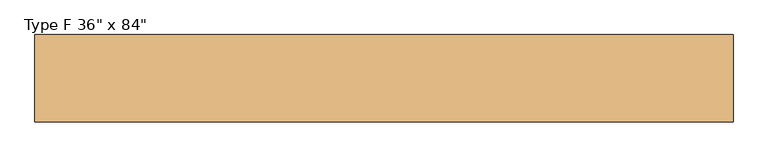
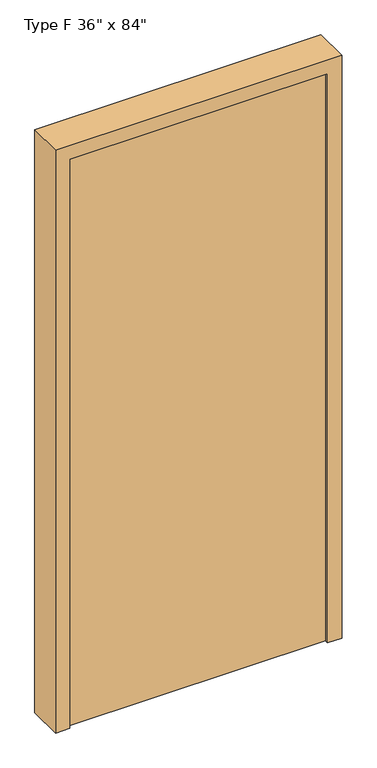
"""IFC4 building model written with IfcOpenShell, lengths in millimetres: door geometry."""

from ifc_helpers import new_model, si_unit, frame, origin, origin_with_axes, place, context, project, spatial, polyline, outline, extrude, source, transform, mapped, element, save


def door_9ba91bdf(model_context):
    return source(origin(), model_context, "Body", "SweptSolid", [
        extrude(outline(polyline([(-457.2, -58.8600506), (-457.2, -14.4100506), (457.2, -14.4100506), (457.2, -58.8600506), (-457.2, -58.8600506)])), origin_with_axes(), (0.0, 0.0, 1.0), 2133.6),
        extrude(outline(polyline([(0.0, -457.2), (2133.6, -457.2), (2133.6, 457.2), (0.0, 457.2), (0.0, 508.0), (2184.4, 508.0), (2184.4, -508.0), (0.0, -508.0), (0.0, -457.2)])), frame((0.0, -71.5600506, 0.0), z_axis=(0.0, 1.0, 0.0), x_axis=(0.0, 0.0, 1.0)), (0.0, 0.0, 1.0), 127.0),
    ])


if __name__ == "__main__":
    model = new_model("IFC4")
    model_context = context("Model", 3, world=origin())
    ifc_project = project(units=[si_unit("LENGTHUNIT", "METRE", prefix="MILLI")], contexts=[model_context])
    site = spatial("IfcSite", under=ifc_project)
    building = spatial("IfcBuilding", under=site)
    placement = place(None, origin())
    door_shape = door_9ba91bdf(model_context)
    element("IfcDoor", 1, ObjectType="Type F 36\" x 84\"", at=placement, inside=building, context=model_context, shape_type="MappedRepresentation", body=[
        mapped(door_shape, transform((0.0, 0.0, 0.0), x_axis=(1.0, 0.0, 0.0), y_axis=(0.0, 1.0, 0.0), z_axis=(0.0, 0.0, 1.0))),
    ])
    save(model, "model.ifc")
